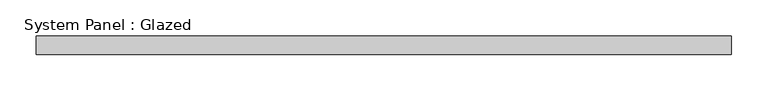
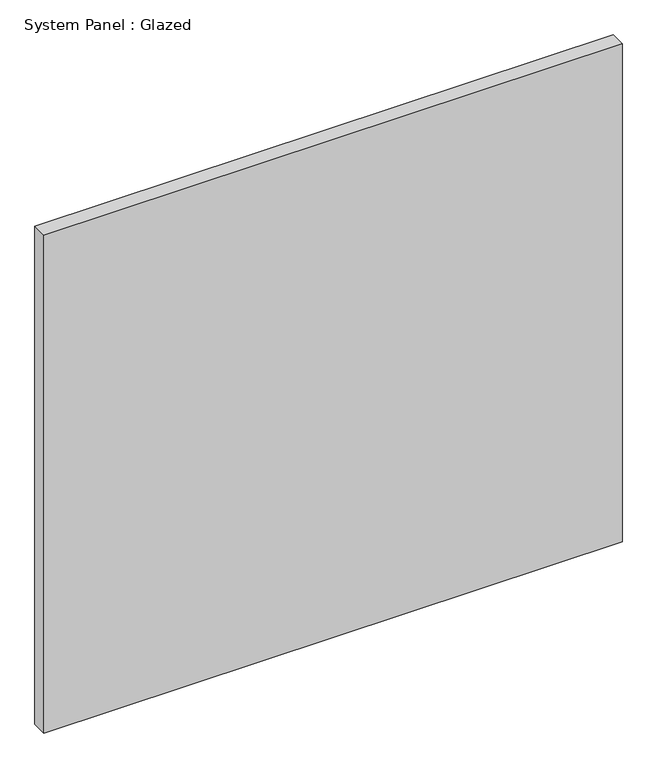
"""IFC4 building model written with IfcOpenShell, lengths in millimetres: plate geometry, System Panel : Glazed."""

from ifc_helpers import new_model, si_unit, origin, origin_with_axes, place, context, project, spatial, polyline, outline, extrude, source, transform, mapped, element, save


def system_panel_glazed_d1c5739c(model_context):
    return source(origin(), model_context, "Body", "SweptSolid", [
        extrude(outline(polyline([(477.8375, -12.7), (-477.8375, -12.7), (-477.8375, 12.7), (477.8375, 12.7), (477.8375, -12.7)])), origin_with_axes(), (0.0, 0.0, 1.0), 869.95),
    ])


if __name__ == "__main__":
    model = new_model("IFC4")
    model_context = context("Model", 3, world=origin())
    ifc_project = project(units=[si_unit("LENGTHUNIT", "METRE", prefix="MILLI")], contexts=[model_context])
    site = spatial("IfcSite", under=ifc_project)
    building = spatial("IfcBuilding", under=site)
    placement = place(None, origin())
    system_panel_glazed_shape = system_panel_glazed_d1c5739c(model_context)
    element("IfcPlate", 1, ObjectType="System Panel : Glazed", at=placement, inside=building, context=model_context, shape_type="MappedRepresentation", body=[
        mapped(system_panel_glazed_shape, transform((0.0, 0.0, 0.0), x_axis=(1.0, 0.0, 0.0), y_axis=(0.0, 1.0, 0.0), z_axis=(0.0, 0.0, 1.0))),
    ])
    save(model, "model.ifc")
